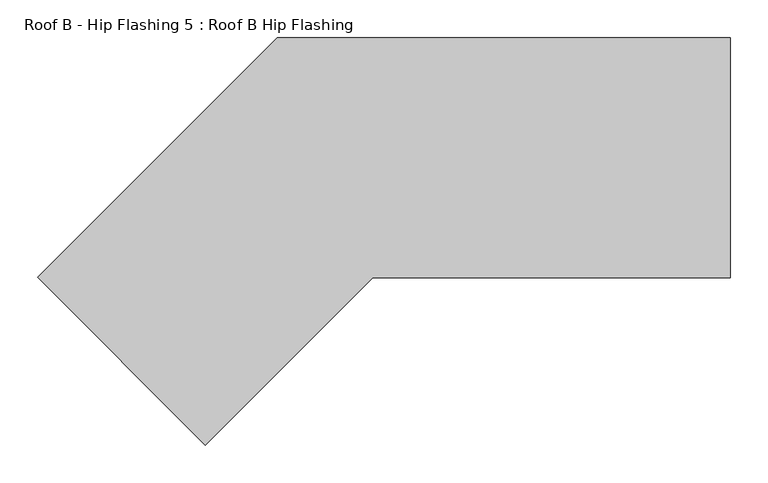
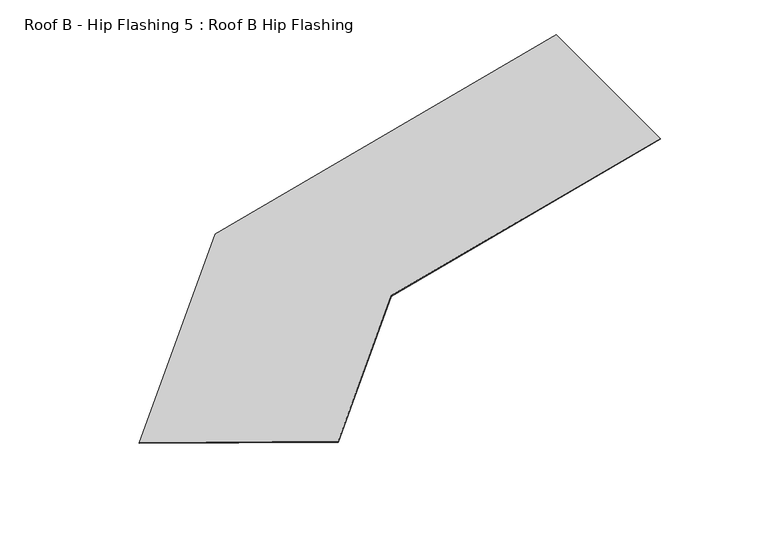
"""IFC4 building model written with IfcOpenShell, lengths in millimetres: proxy geometry, Roof B - Hip Flashing 5 : Roof B Hip Flashing."""

from ifc_helpers import new_model, si_unit, origin, place, context, project, spatial, faceted_brep, source, transform, mapped, element, save


def roof_b_hip_flashing_5_roof_b_hip_flashing_1fe326fc(model_context):
    return source(origin(), model_context, "Body", "Brep", [
        faceted_brep([(45174.1318027, -3320.5046218, 3027.1449194), (45174.1318027, -3320.5046218, 3028.8013612), (45493.0070146, -3001.62941, 3114.2437167), (45493.0070146, -3001.62941, 3112.5872749), (45619.7590678, -3321.1292735, 3148.206827), (46095.4226519, -3321.1292735, 3275.6605003), (46095.4226519, -3001.62941, 3275.6605003), (45397.2577611, -3543.6305802, 3088.5877816), (46095.4226519, -3321.1292735, 3274.0040584), (45619.7590678, -3321.1292735, 3146.5503852), (45397.2577611, -3543.6305802, 3086.9313397), (46095.4226519, -3001.62941, 3274.0040584)], [[[0, 1, 2, 3]], [[4, 5, 6, 2, 1, 7]], [[8, 9, 10, 0, 3, 11]], [[4, 9, 8, 5]], [[9, 4, 7, 10]], [[5, 8, 11, 6]], [[1, 0, 10, 7]], [[3, 2, 6, 11]]]),
    ])


if __name__ == "__main__":
    model = new_model("IFC4")
    model_context = context("Model", 3, world=origin())
    ifc_project = project(units=[si_unit("LENGTHUNIT", "METRE", prefix="MILLI")], contexts=[model_context])
    site = spatial("IfcSite", under=ifc_project)
    building = spatial("IfcBuilding", under=site)
    placement = place(None, origin())
    roof_b_hip_flashing_5_roof_b_hip_flashing_shape = roof_b_hip_flashing_5_roof_b_hip_flashing_1fe326fc(model_context)
    element("IfcBuildingElementProxy", 1, Name="Roof B - Hip Flashing 5 : Roof B Hip Flashing", ObjectType="Roof B - Hip Flashing 5 : Roof B Hip Flashing", at=placement, inside=building, context=model_context, shape_type="MappedRepresentation", body=[
        mapped(roof_b_hip_flashing_5_roof_b_hip_flashing_shape, transform((0.0, 0.0, 0.0), x_axis=(1.0, 0.0, 0.0), y_axis=(0.0, 1.0, 0.0), z_axis=(0.0, 0.0, 1.0))),
    ])
    save(model, "model.ifc")
